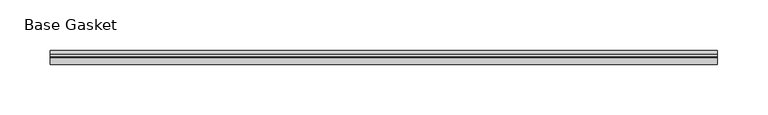
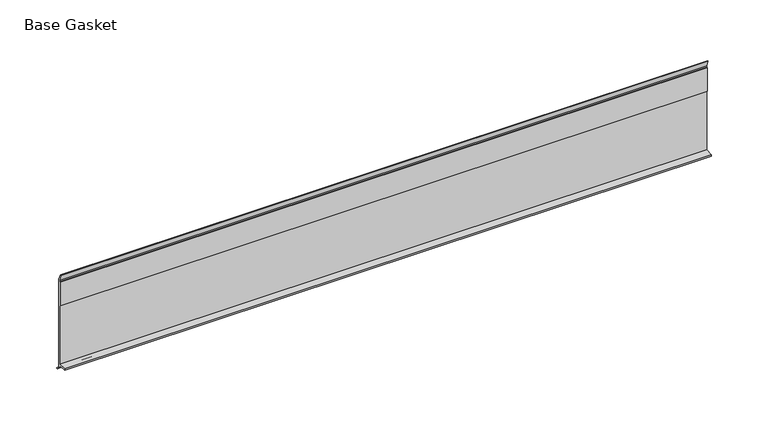
"""IFC4 building model written with IfcOpenShell, lengths in millimetres: furniture geometry, Base Gasket."""

from ifc_helpers import new_model, si_unit, frame, origin, place, context, project, spatial, polyline, outline, extrude, source, transform, mapped, element, save


def base_gasket_74f2b74e(model_context):
    return source(origin(), model_context, "Body", "SweptSolid", [
        extrude(outline(polyline([(3.7283812, 98.4568417), (3.7283812, 4.3498477), (7.4222115, 0.6560174), (7.8482342, 0.0), (6.8281054, 0.3520979), (2.2043812, 4.3498477), (2.1334222, 6.3818476), (-6.2405171, 6.3818476), (-6.2405171, 7.9398773), (2.2043812, 7.9398773), (2.2043812, 71.4693447), (1.4106313, 71.4693447), (1.4106313, 96.8693477), (2.2043812, 96.8693477), (2.2043812, 98.4568417), (0.6755308, 104.4162708), (0.6755308, 105.2002997), (1.1891543, 104.587663), (3.7283812, 98.4568417)])), frame((-1527.8982117, 0.0, 0.0), z_axis=(1.0, 0.0, 0.0), x_axis=(0.0, 1.0, 0.0)), (0.0, 0.0, 1.0), 660.4),
    ])


if __name__ == "__main__":
    model = new_model("IFC4")
    model_context = context("Model", 3, world=origin())
    ifc_project = project(units=[si_unit("LENGTHUNIT", "METRE", prefix="MILLI")], contexts=[model_context])
    site = spatial("IfcSite", under=ifc_project)
    building = spatial("IfcBuilding", under=site)
    placement = place(None, origin())
    base_gasket_shape = base_gasket_74f2b74e(model_context)
    element("IfcFurniture", 1, ObjectType="Base Gasket", at=placement, inside=building, context=model_context, shape_type="MappedRepresentation", body=[
        mapped(base_gasket_shape, transform((0.0, 0.0, 0.0), x_axis=(1.0, 0.0, 0.0), y_axis=(0.0, 1.0, 0.0), z_axis=(0.0, 0.0, 1.0))),
    ])
    save(model, "model.ifc")
